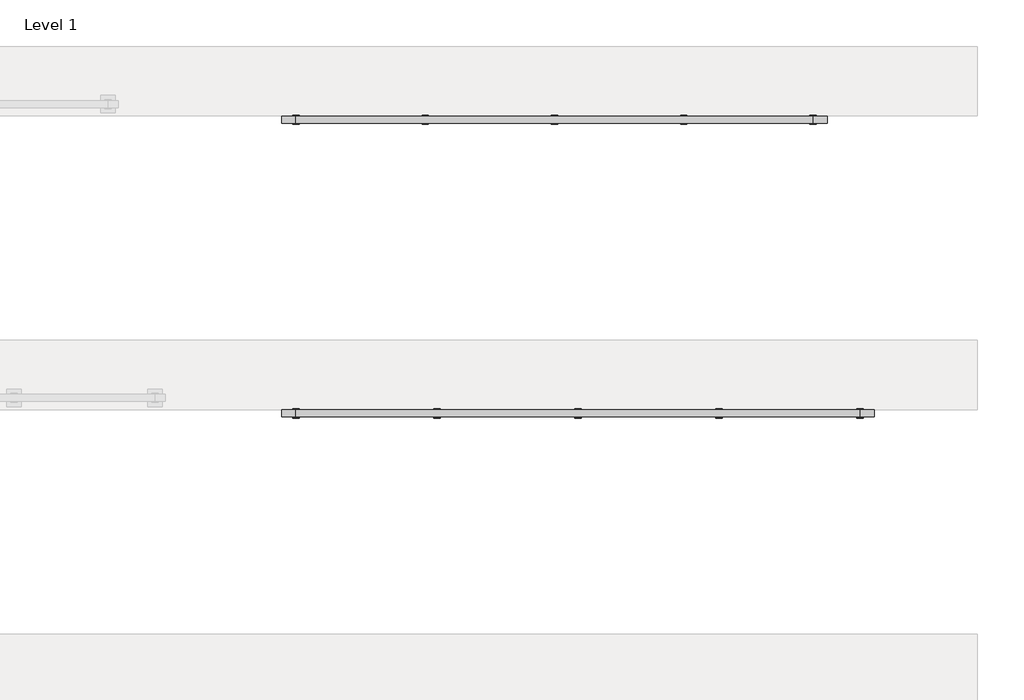
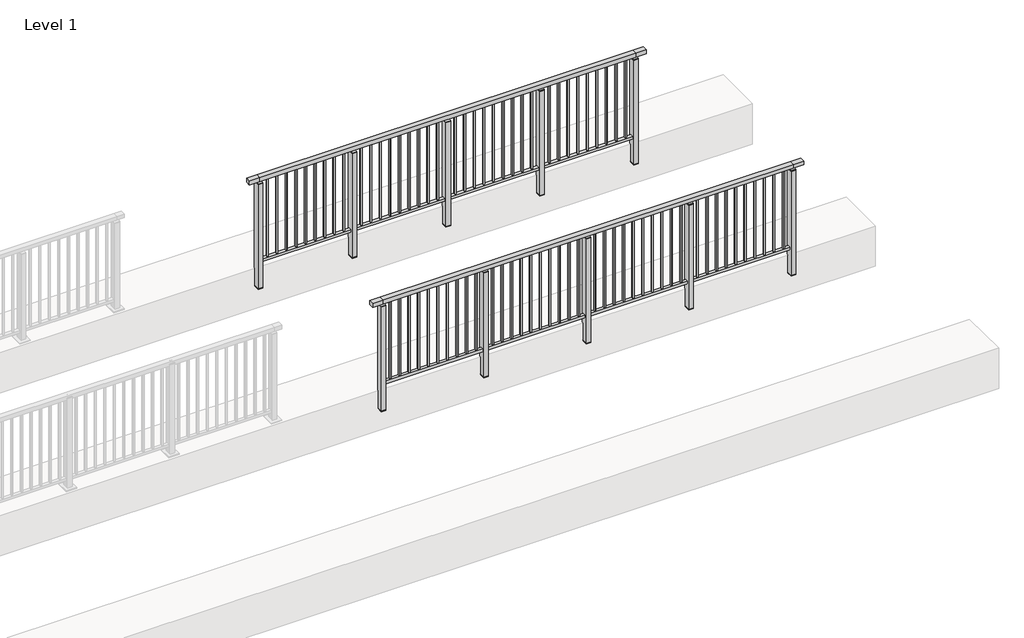
# One storey, part 13 of 38: 2 railings.
"""IFC4 building model written with IfcOpenShell, lengths in millimetres."""

from ifc_helpers import new_model, si_unit, frame, origin, place, context, project, spatial, polyline, outline, extrude, faceted_brep, element, save

model = new_model("IFC4")

# Units and contexts
model_context = context("Model", 3, world=origin())
ifc_project = project(units=[si_unit("LENGTHUNIT", "METRE", prefix="MILLI")], contexts=[model_context])

# Site, building, storey
site = spatial("IfcSite", under=ifc_project)
building = spatial("IfcBuilding", under=site)
storey = spatial("IfcBuildingStorey", under=building, Name="Level 1", Elevation=0.0)

# Railings
placement = place(None, origin())
element("IfcRailing", 1, at=placement, inside=storey, context=model_context, shape_type="SolidModel", body=[
    faceted_brep([(12000.0, 17397.6846828, 1102.5), (12000.0, 17397.6846828, 1150.0), (16800.0, 17397.6846828, 1150.0), (16800.0, 17397.6846828, 1102.5), (12000.0, 17337.6846828, 1102.5), (16800.0, 17337.6846828, 1102.5), (12000.0, 17337.6846828, 1150.0), (16800.0, 17337.6846828, 1150.0), (11877.0, 17397.6846828, 1150.0), (11877.0, 17397.6846828, 1102.5), (11877.0, 17337.6846828, 1102.5), (11877.0, 17337.6846828, 1150.0), (16923.0, 17397.6846828, 1150.0), (16923.0, 17337.6846828, 1150.0), (16923.0, 17337.6846828, 1102.5), (16923.0, 17397.6846828, 1102.5)], [[[0, 1, 2, 3]], [[4, 0, 3, 5]], [[6, 4, 5, 7]], [[1, 6, 7, 2]], [[8, 9, 10, 11]], [[9, 8, 1, 0]], [[10, 9, 0, 4]], [[11, 10, 4, 6]], [[8, 11, 6, 1]], [[12, 13, 14, 15]], [[3, 2, 12, 15]], [[5, 3, 15, 14]], [[7, 5, 14, 13]], [[2, 7, 13, 12]]]),
    extrude(outline(polyline([(12000.0, 17349.6846828), (12000.0, 17385.6846828), (16800.0, 17385.6846828), (16800.0, 17349.6846828), (12000.0, 17349.6846828)])), frame((0.0, 0.0, 93.0), z_axis=(0.0, 0.0, 1.0), x_axis=(1.0, 0.0, 0.0)), (0.0, 0.0, 1.0), 32.0),
    extrude(outline(polyline([(16712.5, 17359.1846828), (16695.5, 17359.1846828), (16695.5, 17376.1846828), (16712.5, 17376.1846828), (16712.5, 17359.1846828)])), frame((0.0, 0.0, 125.0), z_axis=(0.0, 0.0, 1.0), x_axis=(1.0, 0.0, 0.0)), (0.0, 0.0, 1.0), 980.0),
    extrude(outline(polyline([(16600.5, 17359.1846828), (16583.5, 17359.1846828), (16583.5, 17376.1846828), (16600.5, 17376.1846828), (16600.5, 17359.1846828)])), frame((0.0, 0.0, 125.0), z_axis=(0.0, 0.0, 1.0), x_axis=(1.0, 0.0, 0.0)), (0.0, 0.0, 1.0), 980.0),
    extrude(outline(polyline([(16488.5, 17359.1846828), (16471.5, 17359.1846828), (16471.5, 17376.1846828), (16488.5, 17376.1846828), (16488.5, 17359.1846828)])), frame((0.0, 0.0, 125.0), z_axis=(0.0, 0.0, 1.0), x_axis=(1.0, 0.0, 0.0)), (0.0, 0.0, 1.0), 980.0),
    extrude(outline(polyline([(16376.5, 17359.1846828), (16359.5, 17359.1846828), (16359.5, 17376.1846828), (16376.5, 17376.1846828), (16376.5, 17359.1846828)])), frame((0.0, 0.0, 125.0), z_axis=(0.0, 0.0, 1.0), x_axis=(1.0, 0.0, 0.0)), (0.0, 0.0, 1.0), 980.0),
    extrude(outline(polyline([(16264.5, 17359.1846828), (16247.5, 17359.1846828), (16247.5, 17376.1846828), (16264.5, 17376.1846828), (16264.5, 17359.1846828)])), frame((0.0, 0.0, 125.0), z_axis=(0.0, 0.0, 1.0), x_axis=(1.0, 0.0, 0.0)), (0.0, 0.0, 1.0), 980.0),
    extrude(outline(polyline([(16152.5, 17359.1846828), (16135.5, 17359.1846828), (16135.5, 17376.1846828), (16152.5, 17376.1846828), (16152.5, 17359.1846828)])), frame((0.0, 0.0, 125.0), z_axis=(0.0, 0.0, 1.0), x_axis=(1.0, 0.0, 0.0)), (0.0, 0.0, 1.0), 980.0),
    extrude(outline(polyline([(16040.5, 17359.1846828), (16023.5, 17359.1846828), (16023.5, 17376.1846828), (16040.5, 17376.1846828), (16040.5, 17359.1846828)])), frame((0.0, 0.0, 125.0), z_axis=(0.0, 0.0, 1.0), x_axis=(1.0, 0.0, 0.0)), (0.0, 0.0, 1.0), 980.0),
    extrude(outline(polyline([(15928.5, 17359.1846828), (15911.5, 17359.1846828), (15911.5, 17376.1846828), (15928.5, 17376.1846828), (15928.5, 17359.1846828)])), frame((0.0, 0.0, 125.0), z_axis=(0.0, 0.0, 1.0), x_axis=(1.0, 0.0, 0.0)), (0.0, 0.0, 1.0), 980.0),
    extrude(outline(polyline([(15816.5, 17359.1846828), (15799.5, 17359.1846828), (15799.5, 17376.1846828), (15816.5, 17376.1846828), (15816.5, 17359.1846828)])), frame((0.0, 0.0, 125.0), z_axis=(0.0, 0.0, 1.0), x_axis=(1.0, 0.0, 0.0)), (0.0, 0.0, 1.0), 980.0),
    extrude(outline(polyline([(15704.5, 17359.1846828), (15687.5, 17359.1846828), (15687.5, 17376.1846828), (15704.5, 17376.1846828), (15704.5, 17359.1846828)])), frame((0.0, 0.0, 125.0), z_axis=(0.0, 0.0, 1.0), x_axis=(1.0, 0.0, 0.0)), (0.0, 0.0, 1.0), 980.0),
    extrude(outline(polyline([(15627.0, 17406.6846828), (15627.0, 17328.6846828), (15573.0, 17328.6846828), (15573.0, 17406.6846828), (15627.0, 17406.6846828)])), frame((0.0, 0.0, 1077.0), z_axis=(0.0, 0.0, 1.0), x_axis=(1.0, 0.0, 0.0)), (0.0, 0.0, 1.0), 8.0),
    extrude(outline(polyline([(15627.0, 17406.6846828), (15627.0, 17328.6846828), (15573.0, 17328.6846828), (15573.0, 17406.6846828), (15627.0, 17406.6846828)])), frame((0.0, 0.0, -212.0), z_axis=(0.0, 0.0, 1.0), x_axis=(1.0, 0.0, 0.0)), (0.0, 0.0, 1.0), 1289.0),
    extrude(outline(polyline([(15610.0, 17377.6846828), (15610.0, 17357.6846828), (15590.0, 17357.6846828), (15590.0, 17377.6846828), (15610.0, 17377.6846828)])), frame((0.0, 0.0, 1085.0), z_axis=(0.0, 0.0, 1.0), x_axis=(1.0, 0.0, 0.0)), (0.0, 0.0, 1.0), 20.0),
    extrude(outline(polyline([(15627.0, 17406.6846828), (15627.0, 17328.6846828), (15573.0, 17328.6846828), (15573.0, 17406.6846828), (15627.0, 17406.6846828)])), frame((0.0, 0.0, -220.0), z_axis=(0.0, 0.0, 1.0), x_axis=(1.0, 0.0, 0.0)), (0.0, 0.0, 1.0), 8.0),
    extrude(outline(polyline([(15512.5, 17359.1846828), (15495.5, 17359.1846828), (15495.5, 17376.1846828), (15512.5, 17376.1846828), (15512.5, 17359.1846828)])), frame((0.0, 0.0, 125.0), z_axis=(0.0, 0.0, 1.0), x_axis=(1.0, 0.0, 0.0)), (0.0, 0.0, 1.0), 980.0),
    extrude(outline(polyline([(15400.5, 17359.1846828), (15383.5, 17359.1846828), (15383.5, 17376.1846828), (15400.5, 17376.1846828), (15400.5, 17359.1846828)])), frame((0.0, 0.0, 125.0), z_axis=(0.0, 0.0, 1.0), x_axis=(1.0, 0.0, 0.0)), (0.0, 0.0, 1.0), 980.0),
    extrude(outline(polyline([(15288.5, 17359.1846828), (15271.5, 17359.1846828), (15271.5, 17376.1846828), (15288.5, 17376.1846828), (15288.5, 17359.1846828)])), frame((0.0, 0.0, 125.0), z_axis=(0.0, 0.0, 1.0), x_axis=(1.0, 0.0, 0.0)), (0.0, 0.0, 1.0), 980.0),
    extrude(outline(polyline([(15176.5, 17359.1846828), (15159.5, 17359.1846828), (15159.5, 17376.1846828), (15176.5, 17376.1846828), (15176.5, 17359.1846828)])), frame((0.0, 0.0, 125.0), z_axis=(0.0, 0.0, 1.0), x_axis=(1.0, 0.0, 0.0)), (0.0, 0.0, 1.0), 980.0),
    extrude(outline(polyline([(15064.5, 17359.1846828), (15047.5, 17359.1846828), (15047.5, 17376.1846828), (15064.5, 17376.1846828), (15064.5, 17359.1846828)])), frame((0.0, 0.0, 125.0), z_axis=(0.0, 0.0, 1.0), x_axis=(1.0, 0.0, 0.0)), (0.0, 0.0, 1.0), 980.0),
    extrude(outline(polyline([(14952.5, 17359.1846828), (14935.5, 17359.1846828), (14935.5, 17376.1846828), (14952.5, 17376.1846828), (14952.5, 17359.1846828)])), frame((0.0, 0.0, 125.0), z_axis=(0.0, 0.0, 1.0), x_axis=(1.0, 0.0, 0.0)), (0.0, 0.0, 1.0), 980.0),
    extrude(outline(polyline([(14840.5, 17359.1846828), (14823.5, 17359.1846828), (14823.5, 17376.1846828), (14840.5, 17376.1846828), (14840.5, 17359.1846828)])), frame((0.0, 0.0, 125.0), z_axis=(0.0, 0.0, 1.0), x_axis=(1.0, 0.0, 0.0)), (0.0, 0.0, 1.0), 980.0),
    extrude(outline(polyline([(14728.5, 17359.1846828), (14711.5, 17359.1846828), (14711.5, 17376.1846828), (14728.5, 17376.1846828), (14728.5, 17359.1846828)])), frame((0.0, 0.0, 125.0), z_axis=(0.0, 0.0, 1.0), x_axis=(1.0, 0.0, 0.0)), (0.0, 0.0, 1.0), 980.0),
    extrude(outline(polyline([(14616.5, 17359.1846828), (14599.5, 17359.1846828), (14599.5, 17376.1846828), (14616.5, 17376.1846828), (14616.5, 17359.1846828)])), frame((0.0, 0.0, 125.0), z_axis=(0.0, 0.0, 1.0), x_axis=(1.0, 0.0, 0.0)), (0.0, 0.0, 1.0), 980.0),
    extrude(outline(polyline([(14504.5, 17359.1846828), (14487.5, 17359.1846828), (14487.5, 17376.1846828), (14504.5, 17376.1846828), (14504.5, 17359.1846828)])), frame((0.0, 0.0, 125.0), z_axis=(0.0, 0.0, 1.0), x_axis=(1.0, 0.0, 0.0)), (0.0, 0.0, 1.0), 980.0),
    extrude(outline(polyline([(14427.0, 17406.6846828), (14427.0, 17328.6846828), (14373.0, 17328.6846828), (14373.0, 17406.6846828), (14427.0, 17406.6846828)])), frame((0.0, 0.0, 1077.0), z_axis=(0.0, 0.0, 1.0), x_axis=(1.0, 0.0, 0.0)), (0.0, 0.0, 1.0), 8.0),
    extrude(outline(polyline([(14427.0, 17406.6846828), (14427.0, 17328.6846828), (14373.0, 17328.6846828), (14373.0, 17406.6846828), (14427.0, 17406.6846828)])), frame((0.0, 0.0, -212.0), z_axis=(0.0, 0.0, 1.0), x_axis=(1.0, 0.0, 0.0)), (0.0, 0.0, 1.0), 1289.0),
    extrude(outline(polyline([(14410.0, 17377.6846828), (14410.0, 17357.6846828), (14390.0, 17357.6846828), (14390.0, 17377.6846828), (14410.0, 17377.6846828)])), frame((0.0, 0.0, 1085.0), z_axis=(0.0, 0.0, 1.0), x_axis=(1.0, 0.0, 0.0)), (0.0, 0.0, 1.0), 20.0),
    extrude(outline(polyline([(14427.0, 17406.6846828), (14427.0, 17328.6846828), (14373.0, 17328.6846828), (14373.0, 17406.6846828), (14427.0, 17406.6846828)])), frame((0.0, 0.0, -220.0), z_axis=(0.0, 0.0, 1.0), x_axis=(1.0, 0.0, 0.0)), (0.0, 0.0, 1.0), 8.0),
    extrude(outline(polyline([(14312.5, 17359.1846828), (14295.5, 17359.1846828), (14295.5, 17376.1846828), (14312.5, 17376.1846828), (14312.5, 17359.1846828)])), frame((0.0, 0.0, 125.0), z_axis=(0.0, 0.0, 1.0), x_axis=(1.0, 0.0, 0.0)), (0.0, 0.0, 1.0), 980.0),
    extrude(outline(polyline([(14200.5, 17359.1846828), (14183.5, 17359.1846828), (14183.5, 17376.1846828), (14200.5, 17376.1846828), (14200.5, 17359.1846828)])), frame((0.0, 0.0, 125.0), z_axis=(0.0, 0.0, 1.0), x_axis=(1.0, 0.0, 0.0)), (0.0, 0.0, 1.0), 980.0),
    extrude(outline(polyline([(14088.5, 17359.1846828), (14071.5, 17359.1846828), (14071.5, 17376.1846828), (14088.5, 17376.1846828), (14088.5, 17359.1846828)])), frame((0.0, 0.0, 125.0), z_axis=(0.0, 0.0, 1.0), x_axis=(1.0, 0.0, 0.0)), (0.0, 0.0, 1.0), 980.0),
    extrude(outline(polyline([(13976.5, 17359.1846828), (13959.5, 17359.1846828), (13959.5, 17376.1846828), (13976.5, 17376.1846828), (13976.5, 17359.1846828)])), frame((0.0, 0.0, 125.0), z_axis=(0.0, 0.0, 1.0), x_axis=(1.0, 0.0, 0.0)), (0.0, 0.0, 1.0), 980.0),
    extrude(outline(polyline([(13864.5, 17359.1846828), (13847.5, 17359.1846828), (13847.5, 17376.1846828), (13864.5, 17376.1846828), (13864.5, 17359.1846828)])), frame((0.0, 0.0, 125.0), z_axis=(0.0, 0.0, 1.0), x_axis=(1.0, 0.0, 0.0)), (0.0, 0.0, 1.0), 980.0),
    extrude(outline(polyline([(13752.5, 17359.1846828), (13735.5, 17359.1846828), (13735.5, 17376.1846828), (13752.5, 17376.1846828), (13752.5, 17359.1846828)])), frame((0.0, 0.0, 125.0), z_axis=(0.0, 0.0, 1.0), x_axis=(1.0, 0.0, 0.0)), (0.0, 0.0, 1.0), 980.0),
    extrude(outline(polyline([(13640.5, 17359.1846828), (13623.5, 17359.1846828), (13623.5, 17376.1846828), (13640.5, 17376.1846828), (13640.5, 17359.1846828)])), frame((0.0, 0.0, 125.0), z_axis=(0.0, 0.0, 1.0), x_axis=(1.0, 0.0, 0.0)), (0.0, 0.0, 1.0), 980.0),
    extrude(outline(polyline([(13528.5, 17359.1846828), (13511.5, 17359.1846828), (13511.5, 17376.1846828), (13528.5, 17376.1846828), (13528.5, 17359.1846828)])), frame((0.0, 0.0, 125.0), z_axis=(0.0, 0.0, 1.0), x_axis=(1.0, 0.0, 0.0)), (0.0, 0.0, 1.0), 980.0),
    extrude(outline(polyline([(13416.5, 17359.1846828), (13399.5, 17359.1846828), (13399.5, 17376.1846828), (13416.5, 17376.1846828), (13416.5, 17359.1846828)])), frame((0.0, 0.0, 125.0), z_axis=(0.0, 0.0, 1.0), x_axis=(1.0, 0.0, 0.0)), (0.0, 0.0, 1.0), 980.0),
    extrude(outline(polyline([(13304.5, 17359.1846828), (13287.5, 17359.1846828), (13287.5, 17376.1846828), (13304.5, 17376.1846828), (13304.5, 17359.1846828)])), frame((0.0, 0.0, 125.0), z_axis=(0.0, 0.0, 1.0), x_axis=(1.0, 0.0, 0.0)), (0.0, 0.0, 1.0), 980.0),
    extrude(outline(polyline([(13227.0, 17406.6846828), (13227.0, 17328.6846828), (13173.0, 17328.6846828), (13173.0, 17406.6846828), (13227.0, 17406.6846828)])), frame((0.0, 0.0, 1077.0), z_axis=(0.0, 0.0, 1.0), x_axis=(1.0, 0.0, 0.0)), (0.0, 0.0, 1.0), 8.0),
    extrude(outline(polyline([(13227.0, 17406.6846828), (13227.0, 17328.6846828), (13173.0, 17328.6846828), (13173.0, 17406.6846828), (13227.0, 17406.6846828)])), frame((0.0, 0.0, -212.0), z_axis=(0.0, 0.0, 1.0), x_axis=(1.0, 0.0, 0.0)), (0.0, 0.0, 1.0), 1289.0),
    extrude(outline(polyline([(13210.0, 17377.6846828), (13210.0, 17357.6846828), (13190.0, 17357.6846828), (13190.0, 17377.6846828), (13210.0, 17377.6846828)])), frame((0.0, 0.0, 1085.0), z_axis=(0.0, 0.0, 1.0), x_axis=(1.0, 0.0, 0.0)), (0.0, 0.0, 1.0), 20.0),
    extrude(outline(polyline([(13227.0, 17406.6846828), (13227.0, 17328.6846828), (13173.0, 17328.6846828), (13173.0, 17406.6846828), (13227.0, 17406.6846828)])), frame((0.0, 0.0, -220.0), z_axis=(0.0, 0.0, 1.0), x_axis=(1.0, 0.0, 0.0)), (0.0, 0.0, 1.0), 8.0),
    extrude(outline(polyline([(13112.5, 17359.1846828), (13095.5, 17359.1846828), (13095.5, 17376.1846828), (13112.5, 17376.1846828), (13112.5, 17359.1846828)])), frame((0.0, 0.0, 125.0), z_axis=(0.0, 0.0, 1.0), x_axis=(1.0, 0.0, 0.0)), (0.0, 0.0, 1.0), 980.0),
    extrude(outline(polyline([(13000.5, 17359.1846828), (12983.5, 17359.1846828), (12983.5, 17376.1846828), (13000.5, 17376.1846828), (13000.5, 17359.1846828)])), frame((0.0, 0.0, 125.0), z_axis=(0.0, 0.0, 1.0), x_axis=(1.0, 0.0, 0.0)), (0.0, 0.0, 1.0), 980.0),
    extrude(outline(polyline([(12888.5, 17359.1846828), (12871.5, 17359.1846828), (12871.5, 17376.1846828), (12888.5, 17376.1846828), (12888.5, 17359.1846828)])), frame((0.0, 0.0, 125.0), z_axis=(0.0, 0.0, 1.0), x_axis=(1.0, 0.0, 0.0)), (0.0, 0.0, 1.0), 980.0),
    extrude(outline(polyline([(12776.5, 17359.1846828), (12759.5, 17359.1846828), (12759.5, 17376.1846828), (12776.5, 17376.1846828), (12776.5, 17359.1846828)])), frame((0.0, 0.0, 125.0), z_axis=(0.0, 0.0, 1.0), x_axis=(1.0, 0.0, 0.0)), (0.0, 0.0, 1.0), 980.0),
    extrude(outline(polyline([(12664.5, 17359.1846828), (12647.5, 17359.1846828), (12647.5, 17376.1846828), (12664.5, 17376.1846828), (12664.5, 17359.1846828)])), frame((0.0, 0.0, 125.0), z_axis=(0.0, 0.0, 1.0), x_axis=(1.0, 0.0, 0.0)), (0.0, 0.0, 1.0), 980.0),
    extrude(outline(polyline([(12552.5, 17359.1846828), (12535.5, 17359.1846828), (12535.5, 17376.1846828), (12552.5, 17376.1846828), (12552.5, 17359.1846828)])), frame((0.0, 0.0, 125.0), z_axis=(0.0, 0.0, 1.0), x_axis=(1.0, 0.0, 0.0)), (0.0, 0.0, 1.0), 980.0),
    extrude(outline(polyline([(12440.5, 17359.1846828), (12423.5, 17359.1846828), (12423.5, 17376.1846828), (12440.5, 17376.1846828), (12440.5, 17359.1846828)])), frame((0.0, 0.0, 125.0), z_axis=(0.0, 0.0, 1.0), x_axis=(1.0, 0.0, 0.0)), (0.0, 0.0, 1.0), 980.0),
    extrude(outline(polyline([(12328.5, 17359.1846828), (12311.5, 17359.1846828), (12311.5, 17376.1846828), (12328.5, 17376.1846828), (12328.5, 17359.1846828)])), frame((0.0, 0.0, 125.0), z_axis=(0.0, 0.0, 1.0), x_axis=(1.0, 0.0, 0.0)), (0.0, 0.0, 1.0), 980.0),
    extrude(outline(polyline([(12216.5, 17359.1846828), (12199.5, 17359.1846828), (12199.5, 17376.1846828), (12216.5, 17376.1846828), (12216.5, 17359.1846828)])), frame((0.0, 0.0, 125.0), z_axis=(0.0, 0.0, 1.0), x_axis=(1.0, 0.0, 0.0)), (0.0, 0.0, 1.0), 980.0),
    extrude(outline(polyline([(12104.5, 17359.1846828), (12087.5, 17359.1846828), (12087.5, 17376.1846828), (12104.5, 17376.1846828), (12104.5, 17359.1846828)])), frame((0.0, 0.0, 125.0), z_axis=(0.0, 0.0, 1.0), x_axis=(1.0, 0.0, 0.0)), (0.0, 0.0, 1.0), 980.0),
    extrude(outline(polyline([(16827.0, 17406.6846828), (16827.0, 17328.6846828), (16773.0, 17328.6846828), (16773.0, 17406.6846828), (16827.0, 17406.6846828)])), frame((0.0, 0.0, 1077.0), z_axis=(0.0, 0.0, 1.0), x_axis=(1.0, 0.0, 0.0)), (0.0, 0.0, 1.0), 8.0),
    extrude(outline(polyline([(16827.0, 17406.6846828), (16827.0, 17328.6846828), (16773.0, 17328.6846828), (16773.0, 17406.6846828), (16827.0, 17406.6846828)])), frame((0.0, 0.0, -212.0), z_axis=(0.0, 0.0, 1.0), x_axis=(1.0, 0.0, 0.0)), (0.0, 0.0, 1.0), 1289.0),
    extrude(outline(polyline([(16810.0, 17377.6846828), (16810.0, 17357.6846828), (16790.0, 17357.6846828), (16790.0, 17377.6846828), (16810.0, 17377.6846828)])), frame((0.0, 0.0, 1085.0), z_axis=(0.0, 0.0, 1.0), x_axis=(1.0, 0.0, 0.0)), (0.0, 0.0, 1.0), 20.0),
    extrude(outline(polyline([(16827.0, 17406.6846828), (16827.0, 17328.6846828), (16773.0, 17328.6846828), (16773.0, 17406.6846828), (16827.0, 17406.6846828)])), frame((0.0, 0.0, -220.0), z_axis=(0.0, 0.0, 1.0), x_axis=(1.0, 0.0, 0.0)), (0.0, 0.0, 1.0), 8.0),
    extrude(outline(polyline([(12027.0, 17406.6846828), (12027.0, 17328.6846828), (11973.0, 17328.6846828), (11973.0, 17406.6846828), (12027.0, 17406.6846828)])), frame((0.0, 0.0, 1077.0), z_axis=(0.0, 0.0, 1.0), x_axis=(1.0, 0.0, 0.0)), (0.0, 0.0, 1.0), 8.0),
    extrude(outline(polyline([(12027.0, 17406.6846828), (12027.0, 17328.6846828), (11973.0, 17328.6846828), (11973.0, 17406.6846828), (12027.0, 17406.6846828)])), frame((0.0, 0.0, -212.0), z_axis=(0.0, 0.0, 1.0), x_axis=(1.0, 0.0, 0.0)), (0.0, 0.0, 1.0), 1289.0),
    extrude(outline(polyline([(12010.0, 17377.6846828), (12010.0, 17357.6846828), (11990.0, 17357.6846828), (11990.0, 17377.6846828), (12010.0, 17377.6846828)])), frame((0.0, 0.0, 1085.0), z_axis=(0.0, 0.0, 1.0), x_axis=(1.0, 0.0, 0.0)), (0.0, 0.0, 1.0), 20.0),
    extrude(outline(polyline([(12027.0, 17406.6846828), (12027.0, 17328.6846828), (11973.0, 17328.6846828), (11973.0, 17406.6846828), (12027.0, 17406.6846828)])), frame((0.0, 0.0, -220.0), z_axis=(0.0, 0.0, 1.0), x_axis=(1.0, 0.0, 0.0)), (0.0, 0.0, 1.0), 8.0),
])
element("IfcRailing", 2, at=placement, inside=storey, context=model_context, shape_type="SolidModel", body=[
    faceted_brep([(12000.0, 19897.6846828, 1102.5), (12000.0, 19897.6846828, 1150.0), (16400.0, 19897.6846828, 1150.0), (16400.0, 19897.6846828, 1102.5), (12000.0, 19837.6846828, 1102.5), (16400.0, 19837.6846828, 1102.5), (12000.0, 19837.6846828, 1150.0), (16400.0, 19837.6846828, 1150.0), (11877.0, 19897.6846828, 1150.0), (11877.0, 19897.6846828, 1102.5), (11877.0, 19837.6846828, 1102.5), (11877.0, 19837.6846828, 1150.0), (16523.0, 19897.6846828, 1150.0), (16523.0, 19837.6846828, 1150.0), (16523.0, 19837.6846828, 1102.5), (16523.0, 19897.6846828, 1102.5)], [[[0, 1, 2, 3]], [[4, 0, 3, 5]], [[6, 4, 5, 7]], [[1, 6, 7, 2]], [[8, 9, 10, 11]], [[9, 8, 1, 0]], [[10, 9, 0, 4]], [[11, 10, 4, 6]], [[8, 11, 6, 1]], [[12, 13, 14, 15]], [[3, 2, 12, 15]], [[5, 3, 15, 14]], [[7, 5, 14, 13]], [[2, 7, 13, 12]]]),
    extrude(outline(polyline([(12000.0, 19849.6846828), (12000.0, 19885.6846828), (16400.0, 19885.6846828), (16400.0, 19849.6846828), (12000.0, 19849.6846828)])), frame((0.0, 0.0, 93.0), z_axis=(0.0, 0.0, 1.0), x_axis=(1.0, 0.0, 0.0)), (0.0, 0.0, 1.0), 32.0),
    extrude(outline(polyline([(16306.5, 19859.1846828), (16289.5, 19859.1846828), (16289.5, 19876.1846828), (16306.5, 19876.1846828), (16306.5, 19859.1846828)])), frame((0.0, 0.0, 125.0), z_axis=(0.0, 0.0, 1.0), x_axis=(1.0, 0.0, 0.0)), (0.0, 0.0, 1.0), 980.0),
    extrude(outline(polyline([(16194.5, 19859.1846828), (16177.5, 19859.1846828), (16177.5, 19876.1846828), (16194.5, 19876.1846828), (16194.5, 19859.1846828)])), frame((0.0, 0.0, 125.0), z_axis=(0.0, 0.0, 1.0), x_axis=(1.0, 0.0, 0.0)), (0.0, 0.0, 1.0), 980.0),
    extrude(outline(polyline([(16082.5, 19859.1846828), (16065.5, 19859.1846828), (16065.5, 19876.1846828), (16082.5, 19876.1846828), (16082.5, 19859.1846828)])), frame((0.0, 0.0, 125.0), z_axis=(0.0, 0.0, 1.0), x_axis=(1.0, 0.0, 0.0)), (0.0, 0.0, 1.0), 980.0),
    extrude(outline(polyline([(15970.5, 19859.1846828), (15953.5, 19859.1846828), (15953.5, 19876.1846828), (15970.5, 19876.1846828), (15970.5, 19859.1846828)])), frame((0.0, 0.0, 125.0), z_axis=(0.0, 0.0, 1.0), x_axis=(1.0, 0.0, 0.0)), (0.0, 0.0, 1.0), 980.0),
    extrude(outline(polyline([(15858.5, 19859.1846828), (15841.5, 19859.1846828), (15841.5, 19876.1846828), (15858.5, 19876.1846828), (15858.5, 19859.1846828)])), frame((0.0, 0.0, 125.0), z_axis=(0.0, 0.0, 1.0), x_axis=(1.0, 0.0, 0.0)), (0.0, 0.0, 1.0), 980.0),
    extrude(outline(polyline([(15746.5, 19859.1846828), (15729.5, 19859.1846828), (15729.5, 19876.1846828), (15746.5, 19876.1846828), (15746.5, 19859.1846828)])), frame((0.0, 0.0, 125.0), z_axis=(0.0, 0.0, 1.0), x_axis=(1.0, 0.0, 0.0)), (0.0, 0.0, 1.0), 980.0),
    extrude(outline(polyline([(15634.5, 19859.1846828), (15617.5, 19859.1846828), (15617.5, 19876.1846828), (15634.5, 19876.1846828), (15634.5, 19859.1846828)])), frame((0.0, 0.0, 125.0), z_axis=(0.0, 0.0, 1.0), x_axis=(1.0, 0.0, 0.0)), (0.0, 0.0, 1.0), 980.0),
    extrude(outline(polyline([(15522.5, 19859.1846828), (15505.5, 19859.1846828), (15505.5, 19876.1846828), (15522.5, 19876.1846828), (15522.5, 19859.1846828)])), frame((0.0, 0.0, 125.0), z_axis=(0.0, 0.0, 1.0), x_axis=(1.0, 0.0, 0.0)), (0.0, 0.0, 1.0), 980.0),
    extrude(outline(polyline([(15410.5, 19859.1846828), (15393.5, 19859.1846828), (15393.5, 19876.1846828), (15410.5, 19876.1846828), (15410.5, 19859.1846828)])), frame((0.0, 0.0, 125.0), z_axis=(0.0, 0.0, 1.0), x_axis=(1.0, 0.0, 0.0)), (0.0, 0.0, 1.0), 980.0),
    extrude(outline(polyline([(15327.0, 19906.6846828), (15327.0, 19828.6846828), (15273.0, 19828.6846828), (15273.0, 19906.6846828), (15327.0, 19906.6846828)])), frame((0.0, 0.0, 1077.0), z_axis=(0.0, 0.0, 1.0), x_axis=(1.0, 0.0, 0.0)), (0.0, 0.0, 1.0), 8.0),
    extrude(outline(polyline([(15327.0, 19906.6846828), (15327.0, 19828.6846828), (15273.0, 19828.6846828), (15273.0, 19906.6846828), (15327.0, 19906.6846828)])), frame((0.0, 0.0, -212.0), z_axis=(0.0, 0.0, 1.0), x_axis=(1.0, 0.0, 0.0)), (0.0, 0.0, 1.0), 1289.0),
    extrude(outline(polyline([(15310.0, 19877.6846828), (15310.0, 19857.6846828), (15290.0, 19857.6846828), (15290.0, 19877.6846828), (15310.0, 19877.6846828)])), frame((0.0, 0.0, 1085.0), z_axis=(0.0, 0.0, 1.0), x_axis=(1.0, 0.0, 0.0)), (0.0, 0.0, 1.0), 20.0),
    extrude(outline(polyline([(15327.0, 19906.6846828), (15327.0, 19828.6846828), (15273.0, 19828.6846828), (15273.0, 19906.6846828), (15327.0, 19906.6846828)])), frame((0.0, 0.0, -220.0), z_axis=(0.0, 0.0, 1.0), x_axis=(1.0, 0.0, 0.0)), (0.0, 0.0, 1.0), 8.0),
    extrude(outline(polyline([(15206.5, 19859.1846828), (15189.5, 19859.1846828), (15189.5, 19876.1846828), (15206.5, 19876.1846828), (15206.5, 19859.1846828)])), frame((0.0, 0.0, 125.0), z_axis=(0.0, 0.0, 1.0), x_axis=(1.0, 0.0, 0.0)), (0.0, 0.0, 1.0), 980.0),
    extrude(outline(polyline([(15094.5, 19859.1846828), (15077.5, 19859.1846828), (15077.5, 19876.1846828), (15094.5, 19876.1846828), (15094.5, 19859.1846828)])), frame((0.0, 0.0, 125.0), z_axis=(0.0, 0.0, 1.0), x_axis=(1.0, 0.0, 0.0)), (0.0, 0.0, 1.0), 980.0),
    extrude(outline(polyline([(14982.5, 19859.1846828), (14965.5, 19859.1846828), (14965.5, 19876.1846828), (14982.5, 19876.1846828), (14982.5, 19859.1846828)])), frame((0.0, 0.0, 125.0), z_axis=(0.0, 0.0, 1.0), x_axis=(1.0, 0.0, 0.0)), (0.0, 0.0, 1.0), 980.0),
    extrude(outline(polyline([(14870.5, 19859.1846828), (14853.5, 19859.1846828), (14853.5, 19876.1846828), (14870.5, 19876.1846828), (14870.5, 19859.1846828)])), frame((0.0, 0.0, 125.0), z_axis=(0.0, 0.0, 1.0), x_axis=(1.0, 0.0, 0.0)), (0.0, 0.0, 1.0), 980.0),
    extrude(outline(polyline([(14758.5, 19859.1846828), (14741.5, 19859.1846828), (14741.5, 19876.1846828), (14758.5, 19876.1846828), (14758.5, 19859.1846828)])), frame((0.0, 0.0, 125.0), z_axis=(0.0, 0.0, 1.0), x_axis=(1.0, 0.0, 0.0)), (0.0, 0.0, 1.0), 980.0),
    extrude(outline(polyline([(14646.5, 19859.1846828), (14629.5, 19859.1846828), (14629.5, 19876.1846828), (14646.5, 19876.1846828), (14646.5, 19859.1846828)])), frame((0.0, 0.0, 125.0), z_axis=(0.0, 0.0, 1.0), x_axis=(1.0, 0.0, 0.0)), (0.0, 0.0, 1.0), 980.0),
    extrude(outline(polyline([(14534.5, 19859.1846828), (14517.5, 19859.1846828), (14517.5, 19876.1846828), (14534.5, 19876.1846828), (14534.5, 19859.1846828)])), frame((0.0, 0.0, 125.0), z_axis=(0.0, 0.0, 1.0), x_axis=(1.0, 0.0, 0.0)), (0.0, 0.0, 1.0), 980.0),
    extrude(outline(polyline([(14422.5, 19859.1846828), (14405.5, 19859.1846828), (14405.5, 19876.1846828), (14422.5, 19876.1846828), (14422.5, 19859.1846828)])), frame((0.0, 0.0, 125.0), z_axis=(0.0, 0.0, 1.0), x_axis=(1.0, 0.0, 0.0)), (0.0, 0.0, 1.0), 980.0),
    extrude(outline(polyline([(14310.5, 19859.1846828), (14293.5, 19859.1846828), (14293.5, 19876.1846828), (14310.5, 19876.1846828), (14310.5, 19859.1846828)])), frame((0.0, 0.0, 125.0), z_axis=(0.0, 0.0, 1.0), x_axis=(1.0, 0.0, 0.0)), (0.0, 0.0, 1.0), 980.0),
    extrude(outline(polyline([(14227.0, 19906.6846828), (14227.0, 19828.6846828), (14173.0, 19828.6846828), (14173.0, 19906.6846828), (14227.0, 19906.6846828)])), frame((0.0, 0.0, 1077.0), z_axis=(0.0, 0.0, 1.0), x_axis=(1.0, 0.0, 0.0)), (0.0, 0.0, 1.0), 8.0),
    extrude(outline(polyline([(14227.0, 19906.6846828), (14227.0, 19828.6846828), (14173.0, 19828.6846828), (14173.0, 19906.6846828), (14227.0, 19906.6846828)])), frame((0.0, 0.0, -212.0), z_axis=(0.0, 0.0, 1.0), x_axis=(1.0, 0.0, 0.0)), (0.0, 0.0, 1.0), 1289.0),
    extrude(outline(polyline([(14210.0, 19877.6846828), (14210.0, 19857.6846828), (14190.0, 19857.6846828), (14190.0, 19877.6846828), (14210.0, 19877.6846828)])), frame((0.0, 0.0, 1085.0), z_axis=(0.0, 0.0, 1.0), x_axis=(1.0, 0.0, 0.0)), (0.0, 0.0, 1.0), 20.0),
    extrude(outline(polyline([(14227.0, 19906.6846828), (14227.0, 19828.6846828), (14173.0, 19828.6846828), (14173.0, 19906.6846828), (14227.0, 19906.6846828)])), frame((0.0, 0.0, -220.0), z_axis=(0.0, 0.0, 1.0), x_axis=(1.0, 0.0, 0.0)), (0.0, 0.0, 1.0), 8.0),
    extrude(outline(polyline([(14106.5, 19859.1846828), (14089.5, 19859.1846828), (14089.5, 19876.1846828), (14106.5, 19876.1846828), (14106.5, 19859.1846828)])), frame((0.0, 0.0, 125.0), z_axis=(0.0, 0.0, 1.0), x_axis=(1.0, 0.0, 0.0)), (0.0, 0.0, 1.0), 980.0),
    extrude(outline(polyline([(13994.5, 19859.1846828), (13977.5, 19859.1846828), (13977.5, 19876.1846828), (13994.5, 19876.1846828), (13994.5, 19859.1846828)])), frame((0.0, 0.0, 125.0), z_axis=(0.0, 0.0, 1.0), x_axis=(1.0, 0.0, 0.0)), (0.0, 0.0, 1.0), 980.0),
    extrude(outline(polyline([(13882.5, 19859.1846828), (13865.5, 19859.1846828), (13865.5, 19876.1846828), (13882.5, 19876.1846828), (13882.5, 19859.1846828)])), frame((0.0, 0.0, 125.0), z_axis=(0.0, 0.0, 1.0), x_axis=(1.0, 0.0, 0.0)), (0.0, 0.0, 1.0), 980.0),
    extrude(outline(polyline([(13770.5, 19859.1846828), (13753.5, 19859.1846828), (13753.5, 19876.1846828), (13770.5, 19876.1846828), (13770.5, 19859.1846828)])), frame((0.0, 0.0, 125.0), z_axis=(0.0, 0.0, 1.0), x_axis=(1.0, 0.0, 0.0)), (0.0, 0.0, 1.0), 980.0),
    extrude(outline(polyline([(13658.5, 19859.1846828), (13641.5, 19859.1846828), (13641.5, 19876.1846828), (13658.5, 19876.1846828), (13658.5, 19859.1846828)])), frame((0.0, 0.0, 125.0), z_axis=(0.0, 0.0, 1.0), x_axis=(1.0, 0.0, 0.0)), (0.0, 0.0, 1.0), 980.0),
    extrude(outline(polyline([(13546.5, 19859.1846828), (13529.5, 19859.1846828), (13529.5, 19876.1846828), (13546.5, 19876.1846828), (13546.5, 19859.1846828)])), frame((0.0, 0.0, 125.0), z_axis=(0.0, 0.0, 1.0), x_axis=(1.0, 0.0, 0.0)), (0.0, 0.0, 1.0), 980.0),
    extrude(outline(polyline([(13434.5, 19859.1846828), (13417.5, 19859.1846828), (13417.5, 19876.1846828), (13434.5, 19876.1846828), (13434.5, 19859.1846828)])), frame((0.0, 0.0, 125.0), z_axis=(0.0, 0.0, 1.0), x_axis=(1.0, 0.0, 0.0)), (0.0, 0.0, 1.0), 980.0),
    extrude(outline(polyline([(13322.5, 19859.1846828), (13305.5, 19859.1846828), (13305.5, 19876.1846828), (13322.5, 19876.1846828), (13322.5, 19859.1846828)])), frame((0.0, 0.0, 125.0), z_axis=(0.0, 0.0, 1.0), x_axis=(1.0, 0.0, 0.0)), (0.0, 0.0, 1.0), 980.0),
    extrude(outline(polyline([(13210.5, 19859.1846828), (13193.5, 19859.1846828), (13193.5, 19876.1846828), (13210.5, 19876.1846828), (13210.5, 19859.1846828)])), frame((0.0, 0.0, 125.0), z_axis=(0.0, 0.0, 1.0), x_axis=(1.0, 0.0, 0.0)), (0.0, 0.0, 1.0), 980.0),
    extrude(outline(polyline([(13127.0, 19906.6846828), (13127.0, 19828.6846828), (13073.0, 19828.6846828), (13073.0, 19906.6846828), (13127.0, 19906.6846828)])), frame((0.0, 0.0, 1077.0), z_axis=(0.0, 0.0, 1.0), x_axis=(1.0, 0.0, 0.0)), (0.0, 0.0, 1.0), 8.0),
    extrude(outline(polyline([(13127.0, 19906.6846828), (13127.0, 19828.6846828), (13073.0, 19828.6846828), (13073.0, 19906.6846828), (13127.0, 19906.6846828)])), frame((0.0, 0.0, -212.0), z_axis=(0.0, 0.0, 1.0), x_axis=(1.0, 0.0, 0.0)), (0.0, 0.0, 1.0), 1289.0),
    extrude(outline(polyline([(13110.0, 19877.6846828), (13110.0, 19857.6846828), (13090.0, 19857.6846828), (13090.0, 19877.6846828), (13110.0, 19877.6846828)])), frame((0.0, 0.0, 1085.0), z_axis=(0.0, 0.0, 1.0), x_axis=(1.0, 0.0, 0.0)), (0.0, 0.0, 1.0), 20.0),
    extrude(outline(polyline([(13127.0, 19906.6846828), (13127.0, 19828.6846828), (13073.0, 19828.6846828), (13073.0, 19906.6846828), (13127.0, 19906.6846828)])), frame((0.0, 0.0, -220.0), z_axis=(0.0, 0.0, 1.0), x_axis=(1.0, 0.0, 0.0)), (0.0, 0.0, 1.0), 8.0),
    extrude(outline(polyline([(13006.5, 19859.1846828), (12989.5, 19859.1846828), (12989.5, 19876.1846828), (13006.5, 19876.1846828), (13006.5, 19859.1846828)])), frame((0.0, 0.0, 125.0), z_axis=(0.0, 0.0, 1.0), x_axis=(1.0, 0.0, 0.0)), (0.0, 0.0, 1.0), 980.0),
    extrude(outline(polyline([(12894.5, 19859.1846828), (12877.5, 19859.1846828), (12877.5, 19876.1846828), (12894.5, 19876.1846828), (12894.5, 19859.1846828)])), frame((0.0, 0.0, 125.0), z_axis=(0.0, 0.0, 1.0), x_axis=(1.0, 0.0, 0.0)), (0.0, 0.0, 1.0), 980.0),
    extrude(outline(polyline([(12782.5, 19859.1846828), (12765.5, 19859.1846828), (12765.5, 19876.1846828), (12782.5, 19876.1846828), (12782.5, 19859.1846828)])), frame((0.0, 0.0, 125.0), z_axis=(0.0, 0.0, 1.0), x_axis=(1.0, 0.0, 0.0)), (0.0, 0.0, 1.0), 980.0),
    extrude(outline(polyline([(12670.5, 19859.1846828), (12653.5, 19859.1846828), (12653.5, 19876.1846828), (12670.5, 19876.1846828), (12670.5, 19859.1846828)])), frame((0.0, 0.0, 125.0), z_axis=(0.0, 0.0, 1.0), x_axis=(1.0, 0.0, 0.0)), (0.0, 0.0, 1.0), 980.0),
    extrude(outline(polyline([(12558.5, 19859.1846828), (12541.5, 19859.1846828), (12541.5, 19876.1846828), (12558.5, 19876.1846828), (12558.5, 19859.1846828)])), frame((0.0, 0.0, 125.0), z_axis=(0.0, 0.0, 1.0), x_axis=(1.0, 0.0, 0.0)), (0.0, 0.0, 1.0), 980.0),
    extrude(outline(polyline([(12446.5, 19859.1846828), (12429.5, 19859.1846828), (12429.5, 19876.1846828), (12446.5, 19876.1846828), (12446.5, 19859.1846828)])), frame((0.0, 0.0, 125.0), z_axis=(0.0, 0.0, 1.0), x_axis=(1.0, 0.0, 0.0)), (0.0, 0.0, 1.0), 980.0),
    extrude(outline(polyline([(12334.5, 19859.1846828), (12317.5, 19859.1846828), (12317.5, 19876.1846828), (12334.5, 19876.1846828), (12334.5, 19859.1846828)])), frame((0.0, 0.0, 125.0), z_axis=(0.0, 0.0, 1.0), x_axis=(1.0, 0.0, 0.0)), (0.0, 0.0, 1.0), 980.0),
    extrude(outline(polyline([(12222.5, 19859.1846828), (12205.5, 19859.1846828), (12205.5, 19876.1846828), (12222.5, 19876.1846828), (12222.5, 19859.1846828)])), frame((0.0, 0.0, 125.0), z_axis=(0.0, 0.0, 1.0), x_axis=(1.0, 0.0, 0.0)), (0.0, 0.0, 1.0), 980.0),
    extrude(outline(polyline([(12110.5, 19859.1846828), (12093.5, 19859.1846828), (12093.5, 19876.1846828), (12110.5, 19876.1846828), (12110.5, 19859.1846828)])), frame((0.0, 0.0, 125.0), z_axis=(0.0, 0.0, 1.0), x_axis=(1.0, 0.0, 0.0)), (0.0, 0.0, 1.0), 980.0),
    extrude(outline(polyline([(16427.0, 19906.6846828), (16427.0, 19828.6846828), (16373.0, 19828.6846828), (16373.0, 19906.6846828), (16427.0, 19906.6846828)])), frame((0.0, 0.0, 1077.0), z_axis=(0.0, 0.0, 1.0), x_axis=(1.0, 0.0, 0.0)), (0.0, 0.0, 1.0), 8.0),
    extrude(outline(polyline([(16427.0, 19906.6846828), (16427.0, 19828.6846828), (16373.0, 19828.6846828), (16373.0, 19906.6846828), (16427.0, 19906.6846828)])), frame((0.0, 0.0, -212.0), z_axis=(0.0, 0.0, 1.0), x_axis=(1.0, 0.0, 0.0)), (0.0, 0.0, 1.0), 1289.0),
    extrude(outline(polyline([(16410.0, 19877.6846828), (16410.0, 19857.6846828), (16390.0, 19857.6846828), (16390.0, 19877.6846828), (16410.0, 19877.6846828)])), frame((0.0, 0.0, 1085.0), z_axis=(0.0, 0.0, 1.0), x_axis=(1.0, 0.0, 0.0)), (0.0, 0.0, 1.0), 20.0),
    extrude(outline(polyline([(16427.0, 19906.6846828), (16427.0, 19828.6846828), (16373.0, 19828.6846828), (16373.0, 19906.6846828), (16427.0, 19906.6846828)])), frame((0.0, 0.0, -220.0), z_axis=(0.0, 0.0, 1.0), x_axis=(1.0, 0.0, 0.0)), (0.0, 0.0, 1.0), 8.0),
    extrude(outline(polyline([(12027.0, 19906.6846828), (12027.0, 19828.6846828), (11973.0, 19828.6846828), (11973.0, 19906.6846828), (12027.0, 19906.6846828)])), frame((0.0, 0.0, 1077.0), z_axis=(0.0, 0.0, 1.0), x_axis=(1.0, 0.0, 0.0)), (0.0, 0.0, 1.0), 8.0),
    extrude(outline(polyline([(12027.0, 19906.6846828), (12027.0, 19828.6846828), (11973.0, 19828.6846828), (11973.0, 19906.6846828), (12027.0, 19906.6846828)])), frame((0.0, 0.0, -212.0), z_axis=(0.0, 0.0, 1.0), x_axis=(1.0, 0.0, 0.0)), (0.0, 0.0, 1.0), 1289.0),
    extrude(outline(polyline([(12010.0, 19877.6846828), (12010.0, 19857.6846828), (11990.0, 19857.6846828), (11990.0, 19877.6846828), (12010.0, 19877.6846828)])), frame((0.0, 0.0, 1085.0), z_axis=(0.0, 0.0, 1.0), x_axis=(1.0, 0.0, 0.0)), (0.0, 0.0, 1.0), 20.0),
    extrude(outline(polyline([(12027.0, 19906.6846828), (12027.0, 19828.6846828), (11973.0, 19828.6846828), (11973.0, 19906.6846828), (12027.0, 19906.6846828)])), frame((0.0, 0.0, -220.0), z_axis=(0.0, 0.0, 1.0), x_axis=(1.0, 0.0, 0.0)), (0.0, 0.0, 1.0), 8.0),
])

save(model, "model.ifc")
